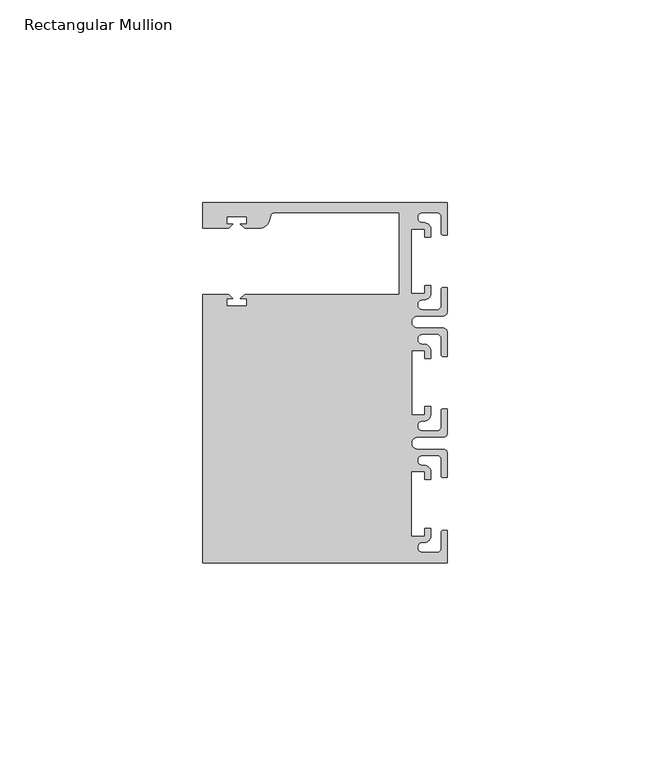
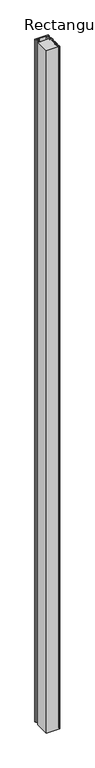
"""IFC4 building model written with IfcOpenShell, lengths in millimetres: member geometry, Rectangular Mullion."""

from ifc_helpers import new_model, si_unit, point, frame, frame_2d, origin, place, context, project, spatial, polyline, circle_curve, trimmed, segment, composite_curve, outline, extrude, source, transform, mapped, element, save


def rectangular_mullion_f762d13a(model_context):
    return source(origin(), model_context, "Body", "SweptSolid", [
        extrude(outline(composite_curve([segment(polyline([(0.0, 44.45), (0.0, 36.4500318), (-1.0, 36.4500318)]), True, "CONTINUOUS"), segment(trimmed(circle_curve(frame_2d((-1.0, 36.9500318)), 0.5), [point((-1.0, 36.4500318))], [point((-1.5, 36.9500318))], False, "CARTESIAN"), True, "CONTINUOUS"), segment(polyline([(-1.5, 36.9500318), (-1.5, 40.95)]), True, "CONTINUOUS"), segment(trimmed(circle_curve(frame_2d((-2.5, 40.95)), 1.0), [point((-1.5, 40.95))], [point((-2.5, 41.95))], True, "CARTESIAN"), True, "CONTINUOUS"), segment(polyline([(-2.5, 41.95), (-6.0499986, 41.95)]), True, "CONTINUOUS"), segment(trimmed(circle_curve(frame_2d((-6.0499986, 40.6999986)), 1.2500014), [point((-6.0499986, 41.95))], [point((-5.9027291, 39.4587029))], True, "CARTESIAN"), True, "CONTINUOUS"), segment(trimmed(circle_curve(frame_2d((-5.7186029, 37.7499972)), 1.7185975), [point((-5.9027291, 39.4587029))], [point((-4.0000054, 37.7499972))], False, "CARTESIAN"), True, "CONTINUOUS"), segment(polyline([(-4.0000054, 37.7499972), (-4.0000054, 35.9500318), (-5.5, 35.9500318), (-5.5, 37.9499972), (-8.8585786, 37.9499972), (-8.8585786, 21.9499956), (-5.5, 21.9499956), (-5.5, 23.9499611), (-3.9999946, 23.9499611), (-3.9999946, 22.0272972)]), True, "CONTINUOUS"), segment(trimmed(circle_curve(frame_2d((-5.7543344, 22.1865598)), 1.761554), [point((-3.9999946, 22.0272972))], [point((-6.0499986, 20.4499956))], False, "CARTESIAN"), True, "CONTINUOUS"), segment(trimmed(circle_curve(frame_2d((-6.0499986, 19.1999942)), 1.2500014), [point((-6.0499986, 20.4499956))], [point((-6.0499986, 17.9499929))], True, "CARTESIAN"), True, "CONTINUOUS"), segment(polyline([(-6.0499986, 17.9499929), (-2.5, 17.9499929)]), True, "CONTINUOUS"), segment(trimmed(circle_curve(frame_2d((-2.5, 18.9499929)), 1.0), [point((-2.5, 17.9499929))], [point((-1.5, 18.9499929))], True, "CARTESIAN"), True, "CONTINUOUS"), segment(polyline([(-1.5, 18.9499929), (-1.5, 22.9499611)]), True, "CONTINUOUS"), segment(trimmed(circle_curve(frame_2d((-1.0, 22.9499611)), 0.5), [point((-1.5, 22.9499611))], [point((-1.0, 23.4499611))], False, "CARTESIAN"), True, "CONTINUOUS"), segment(polyline([(-1.0, 23.4499611), (0.0, 23.4499611), (0.0, 17.4499929)]), True, "CONTINUOUS"), segment(trimmed(circle_curve(frame_2d((-1.0, 17.4499929)), 1.0), [point((0.0, 17.4499929))], [point((-1.0, 16.4499929))], False, "CARTESIAN"), True, "CONTINUOUS"), segment(polyline([(-1.0, 16.4499929), (-7.3, 16.4499929)]), True, "CONTINUOUS"), segment(trimmed(circle_curve(frame_2d((-7.3, 14.9499929)), 1.5), [point((-7.3, 16.4499929))], [point((-7.3046244, 13.45))], True, "CARTESIAN"), True, "CONTINUOUS"), segment(polyline([(-7.3046244, 13.45), (-1.0, 13.45)]), True, "CONTINUOUS"), segment(trimmed(circle_curve(frame_2d((-1.0, 12.45)), 1.0), [point((-1.0, 13.45))], [point((0.0, 12.45))], False, "CARTESIAN"), True, "CONTINUOUS"), segment(polyline([(0.0, 12.45), (0.0, 6.4500354), (-0.9999964, 6.4500354)]), True, "CONTINUOUS"), segment(trimmed(circle_curve(frame_2d((-0.9999964, 6.9500354)), 0.5), [point((-0.9999964, 6.4500354))], [point((-1.4999964, 6.9500354))], False, "CARTESIAN"), True, "CONTINUOUS"), segment(polyline([(-1.4999964, 6.9500354), (-1.4999964, 10.95)]), True, "CONTINUOUS"), segment(trimmed(circle_curve(frame_2d((-2.4999964, 10.95)), 1.0), [point((-1.4999964, 10.95))], [point((-2.4999964, 11.95))], True, "CARTESIAN"), True, "CONTINUOUS"), segment(polyline([(-2.4999964, 11.95), (-6.0499986, 11.95)]), True, "CONTINUOUS"), segment(trimmed(circle_curve(frame_2d((-6.0499986, 10.6999986)), 1.2500014), [point((-6.0499986, 11.95))], [point((-6.0499986, 9.4499972))], True, "CARTESIAN"), True, "CONTINUOUS"), segment(trimmed(circle_curve(frame_2d((-5.7298824, 7.7499972)), 1.729877), [point((-6.0499986, 9.4499972))], [point((-4.0000054, 7.7499972))], False, "CARTESIAN"), True, "CONTINUOUS"), segment(polyline([(-4.0000054, 7.7499972), (-4.0000054, 5.9500318), (-5.5, 5.9500318), (-5.5, 7.9499972), (-8.8, 7.9499972), (-8.8, -7.9499972), (-5.5, -7.9499972), (-5.5, -5.9500318), (-4.0000054, -5.9500318), (-4.0000054, -7.7499972)]), True, "CONTINUOUS"), segment(trimmed(circle_curve(frame_2d((-5.7298824, -7.7499972)), 1.729877), [point((-4.0000054, -7.7499972))], [point((-6.0499986, -9.4499972))], False, "CARTESIAN"), True, "CONTINUOUS"), segment(trimmed(circle_curve(frame_2d((-6.0499986, -10.6999986)), 1.2500014), [point((-6.0499986, -9.4499972))], [point((-6.0499986, -11.95))], True, "CARTESIAN"), True, "CONTINUOUS"), segment(polyline([(-6.0499986, -11.95), (-2.4999964, -11.95)]), True, "CONTINUOUS"), segment(trimmed(circle_curve(frame_2d((-2.4999964, -10.95)), 1.0), [point((-2.4999964, -11.95))], [point((-1.4999964, -10.95))], True, "CARTESIAN"), True, "CONTINUOUS"), segment(polyline([(-1.4999964, -10.95), (-1.4999964, -6.9500354)]), True, "CONTINUOUS"), segment(trimmed(circle_curve(frame_2d((-0.9999964, -6.9500354)), 0.5), [point((-1.4999964, -6.9500354))], [point((-0.9999964, -6.4500354))], False, "CARTESIAN"), True, "CONTINUOUS"), segment(polyline([(-0.9999964, -6.4500354), (0.0, -6.4500354), (0.0, -12.45)]), True, "CONTINUOUS"), segment(trimmed(circle_curve(frame_2d((-1.0, -12.45)), 1.0), [point((0.0, -12.45))], [point((-1.0, -13.45))], False, "CARTESIAN"), True, "CONTINUOUS"), segment(polyline([(-1.0, -13.45), (-7.3046244, -13.45)]), True, "CONTINUOUS"), segment(trimmed(circle_curve(frame_2d((-7.3, -14.9499929)), 1.5), [point((-7.3046244, -13.45))], [point((-7.3, -16.4499929))], True, "CARTESIAN"), True, "CONTINUOUS"), segment(polyline([(-7.3, -16.4499929), (-1.0, -16.4499929)]), True, "CONTINUOUS"), segment(trimmed(circle_curve(frame_2d((-1.0, -17.4499929)), 1.0), [point((-1.0, -16.4499929))], [point((0.0, -17.4499929))], False, "CARTESIAN"), True, "CONTINUOUS"), segment(polyline([(0.0, -17.4499929), (0.0, -23.4499611), (-1.0, -23.4499611)]), True, "CONTINUOUS"), segment(trimmed(circle_curve(frame_2d((-1.0, -22.9499611)), 0.5), [point((-1.0, -23.4499611))], [point((-1.5, -22.9499611))], False, "CARTESIAN"), True, "CONTINUOUS"), segment(polyline([(-1.5, -22.9499611), (-1.5, -18.9499929)]), True, "CONTINUOUS"), segment(trimmed(circle_curve(frame_2d((-2.5, -18.9499929)), 1.0), [point((-1.5, -18.9499929))], [point((-2.5, -17.9499929))], True, "CARTESIAN"), True, "CONTINUOUS"), segment(polyline([(-2.5, -17.9499929), (-6.0499986, -17.9499929)]), True, "CONTINUOUS"), segment(trimmed(circle_curve(frame_2d((-6.0499986, -19.1999942)), 1.2500014), [point((-6.0499986, -17.9499929))], [point((-6.0499986, -20.4499956))], True, "CARTESIAN"), True, "CONTINUOUS"), segment(trimmed(circle_curve(frame_2d((-5.7543344, -22.1865598)), 1.761554), [point((-6.0499986, -20.4499956))], [point((-3.9999946, -22.0272972))], False, "CARTESIAN"), True, "CONTINUOUS"), segment(polyline([(-3.9999946, -22.0272972), (-3.9999946, -23.9499611), (-5.5, -23.9499611), (-5.5, -21.9499956), (-8.8585786, -21.9499956), (-8.8585786, -37.9499972), (-5.5, -37.9499972), (-5.5, -35.9500318), (-4.0000054, -35.9500318), (-4.0000054, -37.7499972)]), True, "CONTINUOUS"), segment(trimmed(circle_curve(frame_2d((-5.7186029, -37.7499972)), 1.7185975), [point((-4.0000054, -37.7499972))], [point((-5.9027291, -39.4587029))], False, "CARTESIAN"), True, "CONTINUOUS"), segment(trimmed(circle_curve(frame_2d((-6.0499986, -40.6999986)), 1.2500014), [point((-5.9027291, -39.4587029))], [point((-6.0499986, -41.95))], True, "CARTESIAN"), True, "CONTINUOUS"), segment(polyline([(-6.0499986, -41.95), (-2.5, -41.95)]), True, "CONTINUOUS"), segment(trimmed(circle_curve(frame_2d((-2.5, -40.95)), 1.0), [point((-2.5, -41.95))], [point((-1.5, -40.95))], True, "CARTESIAN"), True, "CONTINUOUS"), segment(polyline([(-1.5, -40.95), (-1.5, -36.9500318)]), True, "CONTINUOUS"), segment(trimmed(circle_curve(frame_2d((-1.0, -36.9500318)), 0.5), [point((-1.5, -36.9500318))], [point((-1.0, -36.4500318))], False, "CARTESIAN"), True, "CONTINUOUS"), segment(polyline([(-1.0, -36.4500318), (0.0, -36.4500318), (0.0, -44.45), (-60.325, -44.45), (-60.325, 21.749999), (-53.8507562, 21.749999), (-52.8507405, 20.7499834), (-54.4250134, 20.7499834), (-54.4250134, 18.949936), (-49.4250186, 18.949936), (-49.4250186, 20.7499834), (-50.999256, 20.7499834), (-49.9992434, 21.7499959), (-11.8, 21.7499959), (-11.8, 41.95), (-42.6099329, 41.95)]), True, "CONTINUOUS"), segment(trimmed(circle_curve(frame_2d((-42.6099329, 40.9500001)), 1.0), [point((-42.6099329, 41.95))], [point((-43.5758588, 41.2088192))], True, "CARTESIAN"), True, "CONTINUOUS"), segment(polyline([(-43.5758588, 41.2088192), (-43.8989707, 40.002949)]), True, "CONTINUOUS"), segment(trimmed(circle_curve(frame_2d((-46.3137853, 40.6499966)), 2.5), [point((-43.8989707, 40.002949))], [point((-46.3137853, 38.1499966))], False, "CARTESIAN"), True, "CONTINUOUS"), segment(polyline([(-46.3137853, 38.1499966), (-49.9992503, 38.1499966), (-50.999256, 39.1500023), (-49.4249831, 39.1500023), (-49.4249831, 40.9498819), (-54.4249778, 40.9498819), (-54.4249778, 39.1500023), (-52.8507405, 39.1500023), (-53.8507531, 38.1499897), (-60.3249977, 38.1499897), (-60.3249977, 44.45), (0.0, 44.45)]), True, "CONTINUOUS")], self_intersect=False)), frame((0.0, 0.0, -3225.8), z_axis=(0.0, 0.0, 1.0), x_axis=(1.0, 0.0, 0.0)), (0.0, 0.0, 1.0), 3225.8),
    ])


if __name__ == "__main__":
    model = new_model("IFC4")
    model_context = context("Model", 3, world=origin())
    ifc_project = project(units=[si_unit("LENGTHUNIT", "METRE", prefix="MILLI")], contexts=[model_context])
    site = spatial("IfcSite", under=ifc_project)
    building = spatial("IfcBuilding", under=site)
    placement = place(None, origin())
    rectangular_mullion_shape = rectangular_mullion_f762d13a(model_context)
    element("IfcMember", 1, ObjectType="Rectangular Mullion", at=placement, inside=building, context=model_context, shape_type="MappedRepresentation", body=[
        mapped(rectangular_mullion_shape, transform((0.0, 0.0, 0.0), x_axis=(1.0, 0.0, 0.0), y_axis=(0.0, 1.0, 0.0), z_axis=(0.0, 0.0, 1.0))),
    ])
    save(model, "model.ifc")
